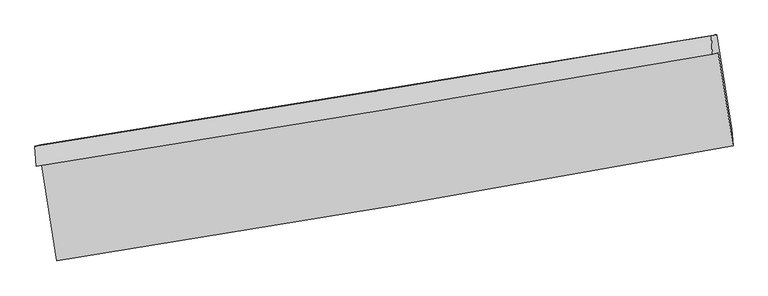
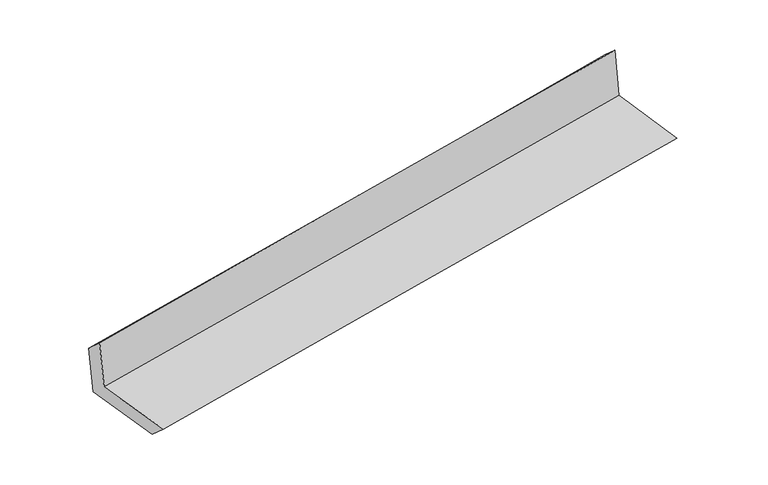
"""IFC4 building model written with IfcOpenShell, lengths in millimetres: proxy geometry."""

from ifc_helpers import new_model, si_unit, frame, origin, place, context, project, spatial, source, transform, mapped, element, save
from ifc_brep_helpers import plane_surface, spline_curve, spline_surface, advanced_brep


def generic_models_06a6e217(model_context):
    return source(origin(), model_context, "Body", "AdvancedBrep", [
        advanced_brep(
        [(-2366.745075, -1882.714286, 1677.5976726), (-2262.3774863, -2544.4758753, 1675.5666441), (2414.1875698, -1749.1008736, 2082.3996318), (2311.6304537, -1107.1915788, 2098.3097924), (-2406.3328951, -1890.1962005, 2081.1165284), (2271.5225759, -1118.1354912, 2512.3659953), (-2414.8331916, -1751.1786716, 1948.6611762), (2263.1807369, -990.094948, 2395.6152075), (-2375.955092, -1743.830891, 1552.376505), (2302.4638501, -982.6706217, 1995.2022301), (-2271.9783774, -2403.1140719, 1550.353083), (2405.4592717, -1636.2929888, 1993.1874978)],
        [
            (0, 1),
            (1, 2, spline_curve(3, [(-2262.3774863, -2544.4758753, 1675.5666441), (-1479.108428126, -2420.777210479, 1753.051672444), (-696.140735082, -2292.351415082, 1825.818382923), (862.709312195, -2027.148431775, 1961.351541364), (1638.596637698, -1890.449226675, 2024.195826942), (2414.1875698, -1749.1008736, 2082.3996318)], [4, 2, 4], [0.0, 7.842642940073008, 15.620327426197147])),
            (2, 3),
            (3, 0, spline_curve(3, [(2311.6304537, -1107.1915788, 2098.3097924), (1535.681487041, -1241.901994978, 2033.168888233), (759.464779469, -1373.627802512, 1965.694634202), (-799.989239222, -1632.185434087, 1825.496399369), (-1583.231041155, -1758.967195735, 1752.733280399), (-2366.745075, -1882.714286, 1677.5976726)], [4, 2, 4], [0.0, 7.777684486124138, 15.620327426197147])),
            (4, 0),
            (3, 5),
            (5, 4, spline_curve(3, [(2271.5225759, -1118.1354912, 2512.3659953), (1495.528496333, -1251.174910338, 2445.070359522), (719.33211692, -1381.775639394, 2375.643435103), (-839.949646937, -1639.170114521, 2231.92936236), (-1623.03842444, -1765.922955206, 2157.606464364), (-2406.3328951, -1890.1962005, 2081.1165284)], [4, 2, 4], [0.0, 7.777284653748482, 15.619524422085256])),
            (6, 4),
            (5, 7),
            (7, 6, spline_curve(3, [(2263.1807369, -990.094948, 2395.6152075), (1487.729604731, -1117.536104101, 2314.199111324), (711.79273281, -1244.418904909, 2236.38474484), (-847.537095909, -1498.122844803, 2087.339653932), (-1630.938200138, -1624.934618753, 2016.169343551), (-2414.8331916, -1751.1786716, 1948.6611762)], [4, 2, 4], [0.0, 7.7769637062449295, 15.618879846556247])),
            (8, 6),
            (7, 9),
            (9, 8, spline_curve(3, [(2302.4638501, -982.6706217, 1995.2022301), (1526.175140793, -1110.27007583, 1922.323561288), (749.784267799, -1237.23868077, 1849.136830082), (-809.686999281, -1490.969352107, 1701.533422452), (-1592.769106947, -1617.72083704, 1627.111578299), (-2375.955092, -1743.830891, 1552.376505)], [4, 2, 4], [0.0, 7.776867108239939, 15.618685843769253])),
            (10, 8),
            (9, 11),
            (11, 10, spline_curve(3, [(2405.4592717, -1636.2929888, 1993.1874978), (1629.114690351, -1763.444458579, 1920.31165373), (852.776861039, -1890.655958949, 1847.12562311), (-706.369135456, -2146.261979526, 1699.519354326), (-1489.177188739, -2274.657507038, 1625.093913725), (-2271.9783774, -2403.1140719, 1550.353083)], [4, 2, 4], [0.0, 7.776819480341378, 15.618590190188618])),
            (1, 10),
            (11, 2),
        ],
        [
            spline_surface(3, 3, [[(-2366.745075, -1882.714286, 1677.5976726), (-1583.231041116, -1758.967195606, 1752.733280324), (-799.989239174, -1632.185434091, 1825.496399449), (759.464779422, -1373.627802508, 1965.694634124), (1535.681487052, -1241.901994983, 2033.168888289), (2311.6304537, -1107.1915788, 2098.3097924)], [(-2331.955878769, -2103.301482433, 1676.920663082), (-1548.523503497, -1979.570533925, 1752.839411046), (-765.373071124, -1852.240761105, 1825.603727269), (793.879623647, -1591.468012281, 1964.246936562), (1569.98653722, -1458.08440557, 2030.177867842), (2345.816159054, -1321.161343758, 2093.006405523)], [(-2297.166682531, -2323.888678867, 1676.243653618), (-1513.815965872, -2200.173872245, 1752.945541822), (-730.756903053, -2072.296088067, 1825.711055059), (828.294467891, -1809.308222004, 1962.799238969), (1604.291587424, -1674.266816083, 2027.186847427), (2380.001864446, -1535.131108642, 2087.703018677)], [(-2262.3774863, -2544.4758753, 1675.5666441), (-1479.108428253, -2420.777210564, 1753.051672544), (-696.140735003, -2292.35141508, 1825.818382879), (862.709312116, -2027.148431777, 1961.351541407), (1638.596637592, -1890.44922667, 2024.195826981), (2414.1875698, -1749.1008736, 2082.3996318)]], [4, 4], [4, 2, 4], [0.0, 2.1817108822129656], [0.0, 7.842642940073008, 15.620327426197147]),
            spline_surface(3, 3, [[(-2406.3328951, -1890.1962005, 2081.1165284), (-1623.038424482, -1765.922955238, 2157.606464283), (-839.949646865, -1639.170114604, 2231.929362229), (719.332116849, -1381.775639312, 2375.643435232), (1495.528496231, -1251.174910222, 2445.070359597), (2271.5225759, -1118.1354912, 2512.3659953)], [(-2393.136955075, -1887.702228995, 1946.610243144), (-1609.769296701, -1763.604368689, 2022.648736307), (-826.629510938, -1636.841887751, 2096.451707956), (732.709671069, -1379.059693696, 2238.99383485), (1508.912826493, -1248.083938479, 2307.769869165), (2284.891868489, -1114.487520403, 2374.347261004)], [(-2379.941015025, -1885.208257505, 1812.103957856), (-1596.500168896, -1761.285782156, 1887.6910083), (-813.309375101, -1634.513660943, 1960.974053722), (746.087225201, -1376.343748124, 2102.344234506), (1522.29715679, -1244.992966726, 2170.469378721), (2298.261161111, -1110.839549597, 2236.328526696)], [(-2366.745075, -1882.714286, 1677.5976726), (-1583.231041116, -1758.967195606, 1752.733280324), (-799.989239174, -1632.185434091, 1825.496399449), (759.464779422, -1373.627802508, 1965.694634124), (1535.681487052, -1241.901994983, 2033.168888289), (2311.6304537, -1107.1915788, 2098.3097924)]], [4, 4], [4, 2, 4], [0.0, 1.3458192068622619], [0.0, 7.842239768336774, 15.619524422085256]),
            spline_surface(3, 3, [[(-2414.8331916, -1751.1786716, 1948.6611762), (-1630.938200074, -1624.934618735, 2016.169343432), (-847.537095834, -1498.122844931, 2087.339653926), (711.792732736, -1244.418904781, 2236.384744846), (1487.729604688, -1117.536104075, 2314.199111442), (2263.1807369, -990.094948, 2395.6152075)], [(-2411.999759437, -1797.517847895, 1992.812960273), (-1628.304941547, -1671.930730897, 2063.315050389), (-845.007946187, -1545.138601483, 2135.536223374), (714.305860765, -1290.204482952, 2282.804308322), (1490.329235212, -1162.082372776, 2357.822860824), (2265.961349909, -1032.775129052, 2434.532136763)], [(-2409.166327263, -1843.857024205, 2036.964744327), (-1625.671683009, -1718.926843075, 2110.460757327), (-842.478796512, -1592.154358052, 2183.732792781), (716.81898882, -1335.990061141, 2329.223871756), (1492.928865707, -1206.628641521, 2401.446610216), (2268.741962891, -1075.455310148, 2473.449066037)], [(-2406.3328951, -1890.1962005, 2081.1165284), (-1623.038424482, -1765.922955238, 2157.606464283), (-839.949646865, -1639.170114604, 2231.929362229), (719.332116849, -1381.775639312, 2375.643435232), (1495.528496231, -1251.174910222, 2445.070359597), (2271.5225759, -1118.1354912, 2512.3659953)]], [4, 4], [4, 2, 4], [0.0, 0.6527745093307596], [0.0, 7.841916140311318, 15.618879846556247]),
            spline_surface(3, 3, [[(-2375.955092, -1743.830891, 1552.376505), (-1592.769106899, -1617.720837063, 1627.111578407), (-809.686999267, -1490.969352122, 1701.533422399), (749.784267785, -1237.238680754, 1849.136830134), (1526.175140847, -1110.270075954, 1922.323561176), (2302.4638501, -982.6706217, 1995.2022301)], [(-2388.91445853, -1746.280151211, 1684.47139539), (-1605.492137954, -1620.125430965, 1756.797500072), (-822.30369814, -1493.353849734, 1830.135499581), (737.120422752, -1239.632088772, 1978.219468377), (1513.359962115, -1112.692085339, 2052.948744594), (2289.369479021, -985.145397145, 2128.673222562)], [(-2401.87382507, -1748.729411389, 1816.56628581), (-1618.215169019, -1622.530024833, 1886.483421767), (-834.920396961, -1495.738347319, 1958.737576745), (724.45657777, -1242.025496763, 2107.302106603), (1500.54478342, -1115.114094689, 2183.573928025), (2276.275107979, -987.620172555, 2262.144215038)], [(-2414.8331916, -1751.1786716, 1948.6611762), (-1630.938200074, -1624.934618735, 2016.169343432), (-847.537095834, -1498.122844931, 2087.339653926), (711.792732736, -1244.418904781, 2236.384744846), (1487.729604688, -1117.536104075, 2314.199111442), (2263.1807369, -990.094948, 2395.6152075)]], [4, 4], [4, 2, 4], [0.0, 1.2744194811486877], [0.0, 7.841818735529314, 15.618685843769253]),
            spline_surface(3, 3, [[(-2271.9783774, -2403.1140719, 1550.353083), (-1489.177188828, -2274.657507054, 1625.093913606), (-706.369135359, -2146.261979624, 1699.51935438), (852.776860943, -1890.655958852, 1847.125623056), (1629.114690469, -1763.444458576, 1920.311653854), (2405.4592717, -1636.2929888, 1993.1874978)], [(-2306.637282243, -2183.353011601, 1551.027557004), (-1523.707828162, -2055.678617058, 1625.766468543), (-740.808423319, -1927.831103797, 1700.190710381), (818.445996567, -1672.850199493, 1847.79602541), (1594.801507269, -1545.719664354, 1920.982289617), (2371.127464508, -1418.418866419, 1993.859075222)], [(-2341.296187157, -1963.591951299, 1551.702030996), (-1558.238467566, -1836.699727059, 1626.43902347), (-775.247711307, -1709.40022795, 1700.862066399), (784.115132162, -1455.044440113, 1848.46642778), (1560.488324047, -1327.994870175, 1921.652925413), (2336.795657292, -1200.544744081, 1994.530652678)], [(-2375.955092, -1743.830891, 1552.376505), (-1592.769106899, -1617.720837063, 1627.111578407), (-809.686999267, -1490.969352122, 1701.533422399), (749.784267785, -1237.238680754, 1849.136830134), (1526.175140847, -1110.270075954, 1922.323561176), (2302.4638501, -982.6706217, 1995.2022301)]], [4, 4], [4, 2, 4], [0.0, 2.173382452624327], [0.0, 7.84177070984724, 15.618590190188618]),
            spline_surface(3, 3, [[(-2262.3774863, -2544.4758753, 1675.5666441), (-1479.108428253, -2420.777210564, 1753.051672544), (-696.140735003, -2292.35141508, 1825.818382879), (862.709312116, -2027.148431777, 1961.351541407), (1638.596637592, -1890.44922667, 2024.195826981), (2414.1875698, -1749.1008736, 2082.3996318)], [(-2265.577783347, -2497.355274165, 1633.828790408), (-1482.464681791, -2372.070642726, 1710.399086239), (-699.550201794, -2243.654936583, 1783.718706702), (859.398495053, -1981.65094079, 1923.276235279), (1635.43598857, -1848.114303961, 1989.567769298), (2411.278137119, -1711.498245322, 2052.662253827)], [(-2268.778080353, -2450.234673035, 1592.090936692), (-1485.82093529, -2323.364074892, 1667.746499911), (-702.959668568, -2194.958458121, 1741.619030558), (856.087678007, -1936.153449839, 1885.200929185), (1632.275339491, -1805.779381285, 1954.939711536), (2408.368704381, -1673.895617078, 2022.924875773)], [(-2271.9783774, -2403.1140719, 1550.353083), (-1489.177188828, -2274.657507054, 1625.093913606), (-706.369135359, -2146.261979624, 1699.51935438), (852.776860943, -1890.655958852, 1847.125623056), (1629.114690469, -1763.444458576, 1920.311653854), (2405.4592717, -1636.2929888, 1993.1874978)]], [4, 4], [4, 2, 4], [0.0, 0.6098398292549139], [0.0, 7.842212636594599, 15.619470383325663]),
            plane_surface(frame((2328.0740764, -1263.914417, 2179.5133925), z_axis=(0.9829759118407081, 0.15458765687811427, 0.09930263381130923), x_axis=(-0.09762112355027498, -0.018449939904842984, 0.9950526196911849))),
            plane_surface(frame((-2349.7036862, -2035.9183327, 1747.6119349), z_axis=(-0.982955232866351, -0.15471883197788228, -0.0993030372750899), x_axis=(-0.15578551414524602, 0.9877862535735702, 0.003031638763470399))),
        ],
        [
            (0, [[1, 2, 3, 4]]),
            (1, [[5, -4, 6, 7]]),
            (2, [[8, -7, 9, 10]]),
            (3, [[11, -10, 12, 13]]),
            (4, [[14, -13, 15, 16]]),
            (5, [[17, -16, 18, -2]]),
            (6, [[-12, -9, -6, -3, -18, -15]]),
            (7, [[-1, -5, -8, -11, -14, -17]]),
        ],
    ),
    ])


if __name__ == "__main__":
    model = new_model("IFC4")
    model_context = context("Model", 3, world=origin())
    ifc_project = project(units=[si_unit("LENGTHUNIT", "METRE", prefix="MILLI")], contexts=[model_context])
    site = spatial("IfcSite", under=ifc_project)
    building = spatial("IfcBuilding", under=site)
    placement = place(None, origin())
    generic_models_shape = generic_models_06a6e217(model_context)
    element("IfcBuildingElementProxy", 1, Name="Generic Models", at=placement, inside=building, context=model_context, shape_type="MappedRepresentation", body=[
        mapped(generic_models_shape, transform((0.0, 0.0, 0.0), x_axis=(1.0, 0.0, 0.0), y_axis=(0.0, 1.0, 0.0), z_axis=(0.0, 0.0, 1.0))),
    ])
    save(model, "model.ifc")
